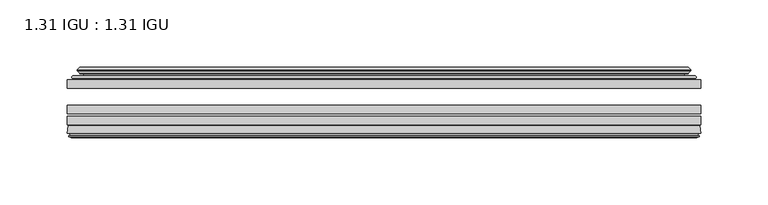
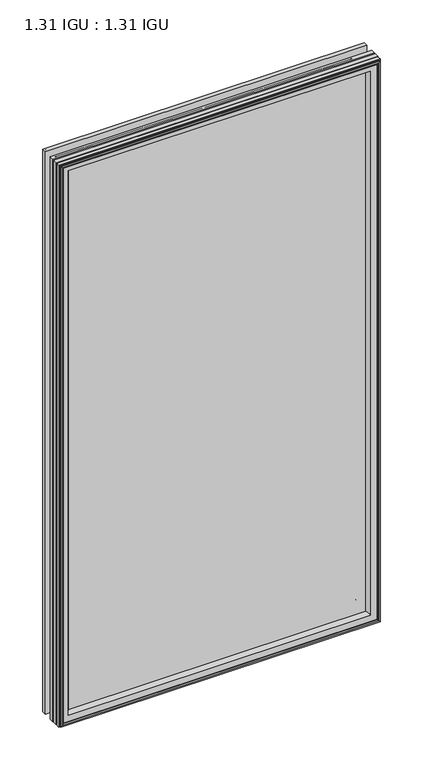
"""IFC4 building model written with IfcOpenShell, lengths in millimetres: plate geometry, 1.31 IGU : 1.31 IGU."""

from ifc_helpers import new_model, si_unit, frame, origin, place, context, project, spatial, polyline, ellipse_curve, outline, extrude, source, transform, mapped, element, save
from ifc_brep_helpers import plane_surface, cylinder_surface, revolved_surface, advanced_brep


def plate_1_31_igu_1_31_igu_c3be2506(model_context):
    return source(origin(), model_context, "Body", "SolidModel", [
        extrude(outline(polyline([(235.9255115, -51.7723437), (235.9255115, -58.1223438), (-235.9924583, -58.1223438), (-235.9924583, -51.7723437), (235.9255115, -51.7723437)])), frame((0.0, 0.0, -14.2875), z_axis=(0.0, 0.0, 1.0), x_axis=(1.0, 0.0, 0.0)), (0.0, 0.0, 1.0), 873.125),
        extrude(outline(polyline([(-235.9924583, -85.4273438), (-235.9924583, -79.0773437), (235.9255115, -79.0773437), (235.9255115, -85.4273438), (-235.9924583, -85.4273438)])), frame((0.0, 0.0, -14.2875), z_axis=(0.0, 0.0, 1.0), x_axis=(1.0, 0.0, 0.0)), (0.0, 0.0, 1.0), 873.125),
        extrude(outline(polyline([(-235.9924583, -77.1723438), (-235.9924583, -70.8223438), (235.9255115, -70.8223438), (235.9255115, -77.1723438), (-235.9924583, -77.1723438)])), frame((0.0, 0.0, -14.2875), z_axis=(0.0, 0.0, 1.0), x_axis=(1.0, 0.0, 0.0)), (0.0, 0.0, 1.0), 873.125),
        advanced_brep(
        [(-236.0051583, -91.7773437, 858.8502), (-235.3103745, -86.1187838, 858.1554162), (-235.3103745, -86.1187838, -13.6054162), (-236.0051583, -91.7773437, -14.3002), (-233.6175583, -93.768408, 856.4626), (-234.0747583, -91.7773437, 856.9198), (-234.0747583, -91.7773437, -12.3698), (-233.6175583, -93.768408, -11.9126), (-234.6189202, -93.5000939, 857.4639619), (-234.6189202, -93.5000939, -12.9139619), (-234.8621583, -94.407871, 857.7072), (-234.8621583, -94.407871, -13.1572), (-232.8301583, -94.9523437, 855.6752), (-232.8301583, -94.9523437, -11.1252), (-230.7981583, -94.407871, 853.6432), (-230.7981583, -94.407871, -9.0932), (-231.0413965, -93.5000939, 853.8864381), (-231.0413965, -93.5000939, -9.3364381), (-232.0427583, -93.768408, 854.8878), (-232.0427583, -93.768408, -10.3378), (-231.5855583, -91.7773437, 854.4306), (-231.5855583, -91.7773437, -9.8806), (-217.5159369, -85.4273437, 840.3609786), (-221.7049583, -91.7773437, 844.55), (-221.7049583, -91.7773437, 0.0), (-217.5159369, -85.4273437, 4.1890214), (-234.5288437, -85.4273437, 857.3738854), (-234.5288437, -85.4273437, -12.8238854), (235.3103745, -86.1187838, -13.6054162), (236.0051583, -91.7773437, -14.3002), (234.0747583, -91.7773437, -12.3698), (233.6175583, -93.768408, -11.9126), (234.6189202, -93.5000939, -12.9139619), (234.8621583, -94.407871, -13.1572), (232.8301583, -94.9523437, -11.1252), (230.7981583, -94.407871, -9.0932), (231.0413965, -93.5000939, -9.3364381), (232.0427583, -93.768408, -10.3378), (231.5855583, -91.7773437, -9.8806), (221.7049583, -91.7773437, 0.0), (217.5159369, -85.4273437, 4.1890214), (234.5288437, -85.4273437, -12.8238854), (235.3103745, -86.1187838, 858.1554162), (236.0051583, -91.7773437, 858.8502), (234.0747583, -91.7773437, 856.9198), (233.6175583, -93.768408, 856.4626), (234.6189202, -93.5000939, 857.4639619), (234.8621583, -94.407871, 857.7072), (232.8301583, -94.9523437, 855.6752), (230.7981583, -94.407871, 853.6432), (231.0413965, -93.5000939, 853.8864381), (232.0427583, -93.768408, 854.8878), (231.5855583, -91.7773437, 854.4306), (221.7049583, -91.7773437, 844.55), (217.5159369, -85.4273437, 840.3609786), (234.5288437, -85.4273437, 857.3738854)],
        [
            (0, 1),
            (1, 2),
            (2, 3),
            (3, 0),
            (4, 5),
            (5, 6),
            (6, 7),
            (7, 4),
            (8, 4),
            (7, 9),
            (9, 8),
            (10, 8),
            (9, 11),
            (11, 10),
            (12, 10),
            (11, 13),
            (13, 12),
            (14, 12),
            (13, 15),
            (15, 14),
            (16, 14),
            (15, 17),
            (17, 16),
            (18, 16),
            (17, 19),
            (19, 18),
            (20, 18),
            (19, 21),
            (21, 20),
            (22, 23, ellipse_curve(frame((-214.7210644, -91.8278132, 837.566106), z_axis=(0.7071067811865475, 0.0, 0.7071067811865475), x_axis=(0.7071067811865474, 0.0, -0.7071067811865476)), 9.8769754, 6.9840763)),
            (23, 24),
            (24, 25, ellipse_curve(frame((-214.7210644, -91.8278132, 6.983894), z_axis=(0.7071067811865475, 0.0, -0.7071067811865475), x_axis=(-0.7071067811865474, 0.0, -0.7071067811865476)), 9.8769754, 6.9840763)),
            (25, 22),
            (1, 26, ellipse_curve(frame((-234.5288437, -86.2147437, 857.3738854), z_axis=(-0.7071067811865475, 0.0, -0.7071067811865475), x_axis=(-0.7071067811865474, 0.0, 0.7071067811865476)), 1.1135518, 0.7874)),
            (26, 27),
            (27, 2, ellipse_curve(frame((-234.5288437, -86.2147437, -12.8238854), z_axis=(-0.7071067811865475, 0.0, 0.7071067811865475), x_axis=(0.7071067811865474, 0.0, 0.7071067811865476)), 1.1135518, 0.7874)),
            (2, 28),
            (28, 29),
            (29, 3),
            (6, 30),
            (30, 31),
            (31, 7),
            (31, 32),
            (32, 9),
            (32, 33),
            (33, 11),
            (33, 34),
            (34, 13),
            (34, 35),
            (35, 15),
            (35, 36),
            (36, 17),
            (36, 37),
            (37, 19),
            (37, 38),
            (38, 21),
            (24, 39),
            (39, 40, ellipse_curve(frame((214.7210644, -91.8278132, 6.983894), z_axis=(0.7071067811865475, 0.0, 0.7071067811865475), x_axis=(0.7071067811865476, 0.0, -0.7071067811865474)), 9.8769754, 6.9840763)),
            (40, 25),
            (27, 41),
            (41, 28, ellipse_curve(frame((234.5288437, -86.2147437, -12.8238854), z_axis=(-0.7071067811865475, 0.0, -0.7071067811865475), x_axis=(-0.7071067811865476, 0.0, 0.7071067811865474)), 1.1135518, 0.7874)),
            (28, 42),
            (42, 43),
            (43, 29),
            (30, 44),
            (44, 45),
            (45, 31),
            (45, 46),
            (46, 32),
            (46, 47),
            (47, 33),
            (47, 48),
            (48, 34),
            (48, 49),
            (49, 35),
            (49, 50),
            (50, 36),
            (50, 51),
            (51, 37),
            (51, 52),
            (52, 38),
            (39, 53),
            (53, 54, ellipse_curve(frame((214.7210644, -91.8278132, 837.566106), z_axis=(-0.7071067811865475, 0.0, 0.7071067811865475), x_axis=(0.7071067811865474, 0.0, 0.7071067811865476)), 9.8769754, 6.9840763)),
            (54, 40),
            (41, 55),
            (55, 42, ellipse_curve(frame((234.5288437, -86.2147437, 857.3738854), z_axis=(0.7071067811865475, 0.0, -0.7071067811865475), x_axis=(-0.7071067811865474, 0.0, -0.7071067811865476)), 1.1135518, 0.7874)),
            (42, 1),
            (0, 43),
            (5, 44),
            (4, 45),
            (8, 46),
            (10, 47),
            (12, 48),
            (14, 49),
            (16, 50),
            (18, 51),
            (20, 52),
            (23, 53),
            (22, 54),
            (26, 55),
        ],
        [
            plane_surface(frame((-235.3103745, -86.1187838, 858.1554162), z_axis=(-0.9925461516413241, 0.12186934340513102, 0.0), x_axis=(0.0, 0.0, -1.0))),
            plane_surface(frame((-234.0747583, -91.7773437, 856.9198), z_axis=(-0.9746347637895992, -0.22380142361654515, 0.0), x_axis=(0.0, 0.0, -1.0))),
            plane_surface(frame((-233.6175583, -93.768408, 856.4626), z_axis=(0.2588190451026678, 0.9659258262890289, 0.0), x_axis=(0.0, 0.0, -1.0))),
            plane_surface(frame((-234.6189202, -93.5000939, 857.4639619), z_axis=(-0.9659258262890449, 0.2588190451026082, 0.0), x_axis=(0.0, 0.0, -1.0))),
            plane_surface(frame((-234.8621583, -94.407871, 857.7072), z_axis=(-0.25881904510250453, -0.9659258262890728, 0.0), x_axis=(0.0, 0.0, -1.0))),
            plane_surface(frame((-232.8301583, -94.9523437, 855.6752), z_axis=(0.25881904510247905, -0.9659258262890795, 0.0), x_axis=(0.0, 0.0, -1.0))),
            plane_surface(frame((-230.7981583, -94.407871, 853.6432), z_axis=(0.9659258262890272, 0.2588190451026741, 0.0), x_axis=(0.0, 0.0, -1.0))),
            plane_surface(frame((-231.0413965, -93.5000939, 853.8864381), z_axis=(-0.2588190451023418, 0.9659258262891163, 0.0), x_axis=(0.0, 0.0, -1.0))),
            plane_surface(frame((-232.0427583, -93.768408, 854.8878), z_axis=(0.9746347637895937, -0.22380142361656946, 0.0), x_axis=(0.0, 0.0, -1.0))),
            revolved_surface(polyline([(-221.7051407, -91.8278132, -0.00018228295277822326), (-221.7051407, -91.8278132, 844.5501822829527)]), (-214.7210644, -91.8278132, 876.3), (0.0, 0.0, -1.0)),
            cylinder_surface(frame((-234.5288437, -86.2147437, 876.3), z_axis=(0.0, 0.0, 1.0), x_axis=(-1.0, 0.0, 0.0)), 0.7874),
            plane_surface(frame((-235.3103745, -86.1187838, -13.6054162), z_axis=(0.0, 0.12186934340512784, -0.9925461516413245), x_axis=(1.0, 0.0, 0.0))),
            plane_surface(frame((-234.0747583, -91.7773437, -12.3698), z_axis=(0.0, -0.22380142361654828, -0.9746347637895986), x_axis=(1.0, 0.0, 0.0))),
            plane_surface(frame((-233.6175583, -93.768408, -11.9126), z_axis=(0.0, 0.9659258262890298, 0.25881904510266474), x_axis=(1.0, 0.0, 0.0))),
            plane_surface(frame((-234.6189202, -93.5000939, -12.9139619), z_axis=(0.0, 0.2588190451026051, -0.9659258262890457), x_axis=(1.0, 0.0, 0.0))),
            plane_surface(frame((-234.8621583, -94.407871, -13.1572), z_axis=(0.0, -0.9659258262890735, -0.2588190451025014), x_axis=(1.0, 0.0, 0.0))),
            plane_surface(frame((-232.8301583, -94.9523437, -11.1252), z_axis=(0.0, -0.9659258262890787, 0.25881904510248216), x_axis=(1.0, 0.0, 0.0))),
            plane_surface(frame((-230.7981583, -94.407871, -9.0932), z_axis=(0.0, 0.2588190451026772, 0.9659258262890265), x_axis=(1.0, 0.0, 0.0))),
            plane_surface(frame((-231.0413965, -93.5000939, -9.3364381), z_axis=(0.0, 0.9659258262891155, -0.25881904510234494), x_axis=(1.0, 0.0, 0.0))),
            plane_surface(frame((-232.0427583, -93.768408, -10.3378), z_axis=(0.0, -0.22380142361656633, 0.9746347637895943), x_axis=(1.0, 0.0, 0.0))),
            revolved_surface(polyline([(221.70514068295267, -91.8278132, -0.00018229999999963553), (-221.7051406829527, -91.8278132, -0.00018229999999963553)]), (-253.4549583, -91.8278132, 6.983894), (1.0, 0.0, 0.0)),
            cylinder_surface(frame((-253.4549583, -86.2147437, -12.8238854), z_axis=(-1.0, 0.0, 0.0), x_axis=(0.0, 0.0, -1.0)), 0.7874),
            plane_surface(frame((235.3103745, -86.1187838, -13.6054162), z_axis=(0.992546151641325, 0.12186934340512466, 0.0), x_axis=(0.0, 0.0, 1.0))),
            plane_surface(frame((234.0747583, -91.7773437, -12.3698), z_axis=(0.9746347637895978, -0.2238014236165514, 0.0), x_axis=(0.0, 0.0, 1.0))),
            plane_surface(frame((233.6175583, -93.768408, -11.9126), z_axis=(-0.2588190451026616, 0.9659258262890306, 0.0), x_axis=(0.0, 0.0, 1.0))),
            plane_surface(frame((234.6189202, -93.5000939, -12.9139619), z_axis=(0.9659258262890466, 0.25881904510260206, 0.0), x_axis=(0.0, 0.0, 1.0))),
            plane_surface(frame((234.8621583, -94.407871, -13.1572), z_axis=(0.2588190451024983, -0.9659258262890743, 0.0), x_axis=(0.0, 0.0, 1.0))),
            plane_surface(frame((232.8301583, -94.9523437, -11.1252), z_axis=(-0.25881904510248527, -0.9659258262890779, 0.0), x_axis=(0.0, 0.0, 1.0))),
            plane_surface(frame((230.7981583, -94.407871, -9.0932), z_axis=(-0.9659258262890257, 0.25881904510268033, 0.0), x_axis=(0.0, 0.0, 1.0))),
            plane_surface(frame((231.0413965, -93.5000939, -9.3364381), z_axis=(0.25881904510234804, 0.9659258262891147, 0.0), x_axis=(0.0, 0.0, 1.0))),
            plane_surface(frame((232.0427583, -93.768408, -10.3378), z_axis=(-0.974634763789595, -0.2238014236165632, 0.0), x_axis=(0.0, 0.0, 1.0))),
            revolved_surface(polyline([(221.7051407, -91.8278132, 844.5501822829527), (221.7051407, -91.8278132, -0.0001822829527107217)]), (214.7210644, -91.8278132, -31.75), (0.0, 0.0, 1.0)),
            cylinder_surface(frame((234.5288437, -86.2147437, -31.75), z_axis=(0.0, 0.0, -1.0), x_axis=(1.0, 0.0, 0.0)), 0.7874),
            plane_surface(frame((235.3103745, -86.1187838, 858.1554162), z_axis=(0.0, 0.12186934340512784, 0.9925461516413245), x_axis=(-1.0, 0.0, 0.0))),
            plane_surface(frame((236.0051583, -91.7773437, 858.8502), z_axis=(0.0, -1.0, 0.0), x_axis=(-1.0, 0.0, 0.0))),
            plane_surface(frame((234.0747583, -91.7773437, 856.9198), z_axis=(0.0, -0.22380142361654826, 0.9746347637895985), x_axis=(-1.0, 0.0, 0.0))),
            plane_surface(frame((233.6175583, -93.768408, 856.4626), z_axis=(0.0, 0.9659258262890298, -0.25881904510266474), x_axis=(-1.0, 0.0, 0.0))),
            plane_surface(frame((234.6189202, -93.5000939, 857.4639619), z_axis=(0.0, 0.25881904510260517, 0.9659258262890458), x_axis=(-1.0, 0.0, 0.0))),
            plane_surface(frame((234.8621583, -94.407871, 857.7072), z_axis=(0.0, -0.9659258262890735, 0.2588190451025014), x_axis=(-1.0, 0.0, 0.0))),
            plane_surface(frame((232.8301583, -94.9523437, 855.6752), z_axis=(0.0, -0.9659258262890786, -0.25881904510248216), x_axis=(-1.0, 0.0, 0.0))),
            plane_surface(frame((230.7981583, -94.407871, 853.6432), z_axis=(0.0, 0.2588190451026772, -0.9659258262890265), x_axis=(-1.0, 0.0, 0.0))),
            plane_surface(frame((231.0413965, -93.5000939, 853.8864381), z_axis=(0.0, 0.9659258262891155, 0.25881904510234494), x_axis=(-1.0, 0.0, 0.0))),
            plane_surface(frame((232.0427583, -93.768408, 854.8878), z_axis=(0.0, -0.22380142361656633, -0.9746347637895943), x_axis=(-1.0, 0.0, 0.0))),
            plane_surface(frame((231.5855583, -91.7773437, 854.4306), z_axis=(0.0, -1.0, 0.0), x_axis=(-1.0, 0.0, 0.0))),
            revolved_surface(polyline([(-221.70514068295267, -91.8278132, 844.5501823), (221.7051406829527, -91.8278132, 844.5501823)]), (253.4549583, -91.8278132, 837.566106), (-1.0, 0.0, 0.0)),
            plane_surface(frame((217.5159369, -85.4273437, 840.3609786), z_axis=(0.0, 1.0, 0.0), x_axis=(-1.0, 0.0, 0.0))),
            cylinder_surface(frame((253.4549583, -86.2147437, 857.3738854), z_axis=(1.0, 0.0, 0.0), x_axis=(0.0, 0.0, 1.0)), 0.7874),
        ],
        [
            (0, [[1, 2, 3, 4]]),
            (1, [[5, 6, 7, 8]]),
            (2, [[9, -8, 10, 11]]),
            (3, [[12, -11, 13, 14]]),
            (4, [[15, -14, 16, 17]]),
            (5, [[18, -17, 19, 20]]),
            (6, [[21, -20, 22, 23]]),
            (7, [[24, -23, 25, 26]]),
            (8, [[27, -26, 28, 29]]),
            (9, [[30, 31, 32, 33]]),
            (10, [[34, 35, 36, -2]]),
            (11, [[-3, 37, 38, 39]]),
            (12, [[-7, 40, 41, 42]]),
            (13, [[-10, -42, 43, 44]]),
            (14, [[-13, -44, 45, 46]]),
            (15, [[-16, -46, 47, 48]]),
            (16, [[-19, -48, 49, 50]]),
            (17, [[-22, -50, 51, 52]]),
            (18, [[-25, -52, 53, 54]]),
            (19, [[-28, -54, 55, 56]]),
            (20, [[-32, 57, 58, 59]]),
            (21, [[-36, 60, 61, -37]]),
            (22, [[-38, 62, 63, 64]]),
            (23, [[-41, 65, 66, 67]]),
            (24, [[-43, -67, 68, 69]]),
            (25, [[-45, -69, 70, 71]]),
            (26, [[-47, -71, 72, 73]]),
            (27, [[-49, -73, 74, 75]]),
            (28, [[-51, -75, 76, 77]]),
            (29, [[-53, -77, 78, 79]]),
            (30, [[-55, -79, 80, 81]]),
            (31, [[-58, 82, 83, 84]]),
            (32, [[-61, 85, 86, -62]]),
            (33, [[-63, 87, -1, 88]]),
            (34, [[-39, -64, -88, -4], [89, -65, -40, -6]]),
            (35, [[-66, -89, -5, 90]]),
            (36, [[-68, -90, -9, 91]]),
            (37, [[-70, -91, -12, 92]]),
            (38, [[-72, -92, -15, 93]]),
            (39, [[-74, -93, -18, 94]]),
            (40, [[-76, -94, -21, 95]]),
            (41, [[-78, -95, -24, 96]]),
            (42, [[-80, -96, -27, 97]]),
            (43, [[-56, -81, -97, -29], [98, -82, -57, -31]]),
            (44, [[-83, -98, -30, 99]]),
            (45, [[100, -85, -60, -35], [-59, -84, -99, -33]]),
            (46, [[-86, -100, -34, -87]]),
        ],
    ),
        advanced_brep(
        [(-217.6572485, -50.6812421, 840.5022902), (-218.0990587, -51.7723437, 840.9441004), (-218.0990587, -51.7723437, 3.6058996), (-217.6572485, -50.6812421, 4.0477098), (-221.7049583, -42.9585437, 844.55), (-221.7049583, -42.9585437, 0.0), (-226.8908692, -44.1396428, 849.7359109), (-226.8908692, -44.1396428, -5.1859109), (-226.5612939, -43.3125262, 849.4063356), (-226.5612939, -43.3125262, -4.8563356), (-226.5612939, -42.4982749, 849.4063356), (-226.5612939, -42.4982749, -4.8563356), (-228.3775694, -44.4569108, 851.2226111), (-228.3775694, -44.4569108, -6.6726111), (-228.3775694, -45.1700367, 851.2226111), (-228.3775694, -45.1700367, -6.6726111), (-226.5612939, -47.1188911, 849.4063356), (-226.5612939, -47.1188911, -4.8563356), (-226.5612939, -46.3144213, 849.4063356), (-226.5612939, -46.3144213, -4.8563356), (-226.8832084, -45.5065305, 849.7282501), (-226.8832084, -45.5065305, -5.1782501), (-224.3593962, -45.3481387, 847.2044379), (-224.3593962, -45.3481387, -2.6544379), (-223.33358, -46.0358481, 846.1786217), (-223.33358, -46.0358481, -1.6286217), (-223.4519872, -47.4303169, 846.2970288), (-223.4519872, -47.4303169, -1.7470288), (-224.0537331, -48.9275437, 846.8987748), (-224.0537331, -48.9275437, -2.3487748), (-231.9795137, -50.8359667, 854.8245553), (-231.4938828, -48.9275437, 854.3389245), (-231.4938828, -48.9275437, -9.7889245), (-231.9795137, -50.8359667, -10.2745553), (-230.2587738, -51.7723437, 853.1038155), (-230.2587738, -51.7723437, -8.5538155), (218.0990587, -51.7723437, 3.6058996), (217.6572485, -50.6812421, 4.0477098), (221.7049583, -42.9585437, 0.0), (226.8908692, -44.1396428, -5.1859109), (226.5612939, -43.3125262, -4.8563356), (226.5612939, -42.4982749, -4.8563356), (228.3775694, -44.4569108, -6.6726111), (228.3775694, -45.1700367, -6.6726111), (226.5612939, -47.1188911, -4.8563356), (226.5612939, -46.3144213, -4.8563356), (226.8832084, -45.5065305, -5.1782501), (224.3593962, -45.3481387, -2.6544379), (223.33358, -46.0358481, -1.6286217), (223.4519872, -47.4303169, -1.7470288), (224.0537331, -48.9275437, -2.3487748), (231.4938828, -48.9275437, -9.7889245), (231.9795137, -50.8359667, -10.2745553), (230.2587738, -51.7723437, -8.5538155), (218.0990587, -51.7723437, 840.9441004), (217.6572485, -50.6812421, 840.5022902), (221.7049583, -42.9585437, 844.55), (226.8908692, -44.1396428, 849.7359109), (226.5612939, -43.3125262, 849.4063356), (226.5612939, -42.4982749, 849.4063356), (228.3775694, -44.4569108, 851.2226111), (228.3775694, -45.1700367, 851.2226111), (226.5612939, -47.1188911, 849.4063356), (226.5612939, -46.3144213, 849.4063356), (226.8832084, -45.5065305, 849.7282501), (224.3593962, -45.3481387, 847.2044379), (223.33358, -46.0358481, 846.1786217), (223.4519872, -47.4303169, 846.2970288), (224.0537331, -48.9275437, 846.8987748), (231.4938828, -48.9275437, 854.3389245), (231.9795137, -50.8359667, 854.8245553), (230.2587738, -51.7723437, 853.1038155)],
        [
            (0, 1, ellipse_curve(frame((-218.0990587, -51.1373437, 840.9441004), z_axis=(-0.7071067811865475, 0.0, -0.7071067811865475), x_axis=(-0.7071067811865474, 0.0, 0.7071067811865476)), 0.8980256, 0.635)),
            (1, 2),
            (2, 3, ellipse_curve(frame((-218.0990587, -51.1373437, 3.6058996), z_axis=(-0.7071067811865475, 0.0, 0.7071067811865475), x_axis=(0.7071067811865474, 0.0, 0.7071067811865476)), 0.8980256, 0.635)),
            (3, 0),
            (4, 0, ellipse_curve(frame((-207.9721637, -40.6828682, 830.8172054), z_axis=(0.7071067811865475, 0.0, 0.7071067811865475), x_axis=(0.7071067811865474, 0.0, -0.7071067811865476)), 19.6859517, 13.9200699)),
            (3, 5, ellipse_curve(frame((-207.9721637, -40.6828682, 13.7327946), z_axis=(0.7071067811865475, 0.0, -0.7071067811865475), x_axis=(-0.7071067811865474, 0.0, -0.7071067811865476)), 19.6859517, 13.9200699)),
            (5, 4),
            (6, 4),
            (5, 7),
            (7, 6),
            (8, 6),
            (7, 9),
            (9, 8),
            (10, 8),
            (9, 11),
            (11, 10),
            (12, 10),
            (11, 13),
            (13, 12),
            (14, 12, ellipse_curve(frame((-228.0157312, -44.8134737, 850.8607729), z_axis=(-0.7071067811865475, 0.0, -0.7071067811865475), x_axis=(-0.7071067811865474, 0.0, 0.7071067811865476)), 0.7184205, 0.508)),
            (13, 15, ellipse_curve(frame((-228.0157312, -44.8134737, -6.3107729), z_axis=(-0.7071067811865475, 0.0, 0.7071067811865475), x_axis=(0.7071067811865474, 0.0, 0.7071067811865476)), 0.7184205, 0.508)),
            (15, 14),
            (16, 14),
            (15, 17),
            (17, 16),
            (18, 16),
            (17, 19),
            (19, 18),
            (20, 18),
            (19, 21),
            (21, 20),
            (22, 20),
            (21, 23),
            (23, 22),
            (24, 22, ellipse_curve(frame((-224.2957583, -46.3621437, 847.1408), z_axis=(0.7071067811865475, 0.0, 0.7071067811865475), x_axis=(0.7071067811865474, 0.0, -0.7071067811865476)), 1.436841, 1.016)),
            (23, 25, ellipse_curve(frame((-224.2957583, -46.3621437, -2.5908), z_axis=(0.7071067811865475, 0.0, -0.7071067811865475), x_axis=(-0.7071067811865474, 0.0, -0.7071067811865476)), 1.436841, 1.016)),
            (25, 24),
            (26, 24, ellipse_curve(frame((-225.6673583, -46.5399437, 848.5124), z_axis=(0.7071067811865475, 0.0, 0.7071067811865475), x_axis=(0.7071067811865474, 0.0, -0.7071067811865476)), 3.3765763, 2.3876)),
            (25, 27, ellipse_curve(frame((-225.6673583, -46.5399437, -3.9624), z_axis=(0.7071067811865475, 0.0, -0.7071067811865475), x_axis=(-0.7071067811865474, 0.0, -0.7071067811865476)), 3.3765763, 2.3876)),
            (27, 26),
            (28, 26),
            (27, 29),
            (29, 28),
            (30, 31, ellipse_curve(frame((-231.4938828, -49.9435437, 854.3389245), z_axis=(-0.7071067811865475, 0.0, -0.7071067811865475), x_axis=(-0.7071067811865474, 0.0, 0.7071067811865476)), 1.436841, 1.016)),
            (31, 32),
            (32, 33, ellipse_curve(frame((-231.4938828, -49.9435437, -9.7889245), z_axis=(-0.7071067811865475, 0.0, 0.7071067811865475), x_axis=(0.7071067811865474, 0.0, 0.7071067811865476)), 1.436841, 1.016)),
            (33, 30),
            (34, 30),
            (33, 35),
            (35, 34),
            (2, 36),
            (36, 37, ellipse_curve(frame((218.0990587, -51.1373437, 3.6058996), z_axis=(-0.7071067811865475, 0.0, -0.7071067811865475), x_axis=(-0.7071067811865476, 0.0, 0.7071067811865474)), 0.8980256, 0.635)),
            (37, 3),
            (37, 38, ellipse_curve(frame((207.9721637, -40.6828682, 13.7327946), z_axis=(0.7071067811865475, 0.0, 0.7071067811865475), x_axis=(0.7071067811865476, 0.0, -0.7071067811865474)), 19.6859517, 13.9200699)),
            (38, 5),
            (38, 39),
            (39, 7),
            (39, 40),
            (40, 9),
            (40, 41),
            (41, 11),
            (41, 42),
            (42, 13),
            (42, 43, ellipse_curve(frame((228.0157312, -44.8134737, -6.3107729), z_axis=(-0.7071067811865475, 0.0, -0.7071067811865475), x_axis=(-0.7071067811865476, 0.0, 0.7071067811865474)), 0.7184205, 0.508)),
            (43, 15),
            (43, 44),
            (44, 17),
            (44, 45),
            (45, 19),
            (45, 46),
            (46, 21),
            (46, 47),
            (47, 23),
            (47, 48, ellipse_curve(frame((224.2957583, -46.3621437, -2.5908), z_axis=(0.7071067811865475, 0.0, 0.7071067811865475), x_axis=(0.7071067811865476, 0.0, -0.7071067811865474)), 1.436841, 1.016)),
            (48, 25),
            (48, 49, ellipse_curve(frame((225.6673583, -46.5399437, -3.9624), z_axis=(0.7071067811865475, 0.0, 0.7071067811865475), x_axis=(0.7071067811865476, 0.0, -0.7071067811865474)), 3.3765763, 2.3876)),
            (49, 27),
            (49, 50),
            (50, 29),
            (32, 51),
            (51, 52, ellipse_curve(frame((231.4938828, -49.9435437, -9.7889245), z_axis=(-0.7071067811865475, 0.0, -0.7071067811865475), x_axis=(-0.7071067811865476, 0.0, 0.7071067811865474)), 1.436841, 1.016)),
            (52, 33),
            (52, 53),
            (53, 35),
            (36, 54),
            (54, 55, ellipse_curve(frame((218.0990587, -51.1373437, 840.9441004), z_axis=(0.7071067811865475, 0.0, -0.7071067811865475), x_axis=(-0.7071067811865474, 0.0, -0.7071067811865476)), 0.8980256, 0.635)),
            (55, 37),
            (55, 56, ellipse_curve(frame((207.9721637, -40.6828682, 830.8172054), z_axis=(-0.7071067811865475, 0.0, 0.7071067811865475), x_axis=(0.7071067811865474, 0.0, 0.7071067811865476)), 19.6859517, 13.9200699)),
            (56, 38),
            (56, 57),
            (57, 39),
            (57, 58),
            (58, 40),
            (58, 59),
            (59, 41),
            (59, 60),
            (60, 42),
            (60, 61, ellipse_curve(frame((228.0157312, -44.8134737, 850.8607729), z_axis=(0.7071067811865475, 0.0, -0.7071067811865475), x_axis=(-0.7071067811865474, 0.0, -0.7071067811865476)), 0.7184205, 0.508)),
            (61, 43),
            (61, 62),
            (62, 44),
            (62, 63),
            (63, 45),
            (63, 64),
            (64, 46),
            (64, 65),
            (65, 47),
            (65, 66, ellipse_curve(frame((224.2957583, -46.3621437, 847.1408), z_axis=(-0.7071067811865475, 0.0, 0.7071067811865475), x_axis=(0.7071067811865474, 0.0, 0.7071067811865476)), 1.436841, 1.016)),
            (66, 48),
            (66, 67, ellipse_curve(frame((225.6673583, -46.5399437, 848.5124), z_axis=(-0.7071067811865475, 0.0, 0.7071067811865475), x_axis=(0.7071067811865474, 0.0, 0.7071067811865476)), 3.3765763, 2.3876)),
            (67, 49),
            (67, 68),
            (68, 50),
            (51, 69),
            (69, 70, ellipse_curve(frame((231.4938828, -49.9435437, 854.3389245), z_axis=(0.7071067811865475, 0.0, -0.7071067811865475), x_axis=(-0.7071067811865474, 0.0, -0.7071067811865476)), 1.436841, 1.016)),
            (70, 52),
            (70, 71),
            (71, 53),
            (54, 1),
            (0, 55),
            (4, 56),
            (6, 57),
            (8, 58),
            (10, 59),
            (12, 60),
            (14, 61),
            (16, 62),
            (18, 63),
            (20, 64),
            (22, 65),
            (24, 66),
            (26, 67),
            (28, 68),
            (31, 69),
            (30, 70),
            (34, 71),
        ],
        [
            cylinder_surface(frame((-218.0990587, -51.1373437, 876.3), z_axis=(0.0, 0.0, 1.0), x_axis=(-1.0, 0.0, 0.0)), 0.635),
            revolved_surface(polyline([(-221.8922336, -40.6828682, -0.18727534118079348), (-221.8922336, -40.6828682, 844.7372753411809)]), (-207.9721637, -40.6828682, 876.3), (0.0, 0.0, -1.0)),
            plane_surface(frame((-221.7049583, -42.9585437, 844.55), z_axis=(-0.22206498442778808, 0.9750318675259215, 0.0), x_axis=(0.0, 0.0, -1.0))),
            plane_surface(frame((-226.8908692, -44.1396428, 849.7359109), z_axis=(0.9289682685629942, -0.3701593656833133, 0.0), x_axis=(0.0, 0.0, -1.0))),
            plane_surface(frame((-226.5612939, -43.3125262, 849.4063356), z_axis=(1.0, 0.0, 0.0), x_axis=(0.0, 0.0, -1.0))),
            plane_surface(frame((-226.5612939, -42.4982749, 849.4063356), z_axis=(-0.7332521292723948, 0.6799568478348454, 0.0), x_axis=(0.0, 0.0, -1.0))),
            cylinder_surface(frame((-228.0157312, -44.8134737, 876.3), z_axis=(0.0, 0.0, 1.0), x_axis=(-1.0, 0.0, 0.0)), 0.508),
            plane_surface(frame((-228.3775694, -45.1700367, 851.2226111), z_axis=(-0.7315522693036389, -0.6817853601220082, 0.0), x_axis=(0.0, 0.0, -1.0))),
            plane_surface(frame((-226.5612939, -47.1188911, 849.4063356), z_axis=(1.0, 0.0, 0.0), x_axis=(0.0, 0.0, -1.0))),
            plane_surface(frame((-226.5612939, -46.3144213, 849.4063356), z_axis=(0.9289682685631103, 0.37015936568302166, 0.0), x_axis=(0.0, 0.0, -1.0))),
            plane_surface(frame((-226.8832084, -45.5065305, 849.7282501), z_axis=(0.06263570119321649, -0.9980364567169048, 0.0), x_axis=(0.0, 0.0, -1.0))),
            revolved_surface(polyline([(-225.31175829999998, -46.3621437, -3.606800014586838), (-225.31175829999998, -46.3621437, 848.1568000145869)]), (-224.2957583, -46.3621437, 876.3), (0.0, 0.0, -1.0)),
            revolved_surface(polyline([(-228.05495829999998, -46.5399437, -6.3499999989237494), (-228.05495829999998, -46.5399437, 850.8999999989237)]), (-225.6673583, -46.5399437, 876.3), (0.0, 0.0, -1.0)),
            plane_surface(frame((-223.4519872, -47.4303169, 846.2970288), z_axis=(-0.927865292542892, 0.3729155385530262, 0.0), x_axis=(0.0, 0.0, -1.0))),
            cylinder_surface(frame((-231.4938828, -49.9435437, 876.3), z_axis=(0.0, 0.0, 1.0), x_axis=(-1.0, 0.0, 0.0)), 1.016),
            plane_surface(frame((-231.9795137, -50.8359667, 854.8245553), z_axis=(-0.477983117370979, -0.8783690223979447, 0.0), x_axis=(0.0, 0.0, -1.0))),
            cylinder_surface(frame((-253.4549583, -51.1373437, 3.6058996), z_axis=(-1.0, 0.0, 0.0), x_axis=(0.0, 0.0, -1.0)), 0.635),
            revolved_surface(polyline([(221.89223364118084, -40.6828682, -0.1872752999999996), (-221.89223364118084, -40.6828682, -0.1872752999999996)]), (-253.4549583, -40.6828682, 13.7327946), (1.0, 0.0, 0.0)),
            plane_surface(frame((-221.7049583, -42.9585437, 0.0), z_axis=(0.0, 0.9750318675259209, -0.2220649844277912), x_axis=(1.0, 0.0, 0.0))),
            plane_surface(frame((-226.8908692, -44.1396428, -5.1859109), z_axis=(0.0, -0.3701593656833103, 0.9289682685629954), x_axis=(1.0, 0.0, 0.0))),
            plane_surface(frame((-226.5612939, -43.3125262, -4.8563356), z_axis=(0.0, 0.0, 1.0), x_axis=(1.0, 0.0, 0.0))),
            plane_surface(frame((-226.5612939, -42.4982749, -4.8563356), z_axis=(0.0, 0.6799568478348431, -0.733252129272397), x_axis=(1.0, 0.0, 0.0))),
            cylinder_surface(frame((-253.4549583, -44.8134737, -6.3107729), z_axis=(-1.0, 0.0, 0.0), x_axis=(0.0, 0.0, -1.0)), 0.508),
            plane_surface(frame((-228.3775694, -45.1700367, -6.6726111), z_axis=(0.0, -0.6817853601220105, -0.7315522693036367), x_axis=(1.0, 0.0, 0.0))),
            plane_surface(frame((-226.5612939, -47.1188911, -4.8563356), z_axis=(0.0, 0.0, 1.0), x_axis=(1.0, 0.0, 0.0))),
            plane_surface(frame((-226.5612939, -46.3144213, -4.8563356), z_axis=(0.0, 0.37015936568302465, 0.9289682685631091), x_axis=(1.0, 0.0, 0.0))),
            plane_surface(frame((-226.8832084, -45.5065305, -5.1782501), z_axis=(0.0, -0.9980364567169046, 0.06263570119321968), x_axis=(1.0, 0.0, 0.0))),
            revolved_surface(polyline([(225.31175831458683, -46.3621437, -3.6068000000000002), (-225.31175831458685, -46.3621437, -3.6068000000000002)]), (-253.4549583, -46.3621437, -2.5908), (1.0, 0.0, 0.0)),
            revolved_surface(polyline([(228.0549582989238, -46.5399437, -6.35), (-228.05495829892376, -46.5399437, -6.35)]), (-253.4549583, -46.5399437, -3.9624), (1.0, 0.0, 0.0)),
            plane_surface(frame((-223.4519872, -47.4303169, -1.7470288), z_axis=(0.0, 0.37291553855302323, -0.9278652925428932), x_axis=(1.0, 0.0, 0.0))),
            cylinder_surface(frame((-253.4549583, -49.9435437, -9.7889245), z_axis=(-1.0, 0.0, 0.0), x_axis=(0.0, 0.0, -1.0)), 1.016),
            plane_surface(frame((-231.9795137, -50.8359667, -10.2745553), z_axis=(0.0, -0.8783690223979462, -0.47798311737097615), x_axis=(1.0, 0.0, 0.0))),
            cylinder_surface(frame((218.0990587, -51.1373437, -31.75), z_axis=(0.0, 0.0, -1.0), x_axis=(1.0, 0.0, 0.0)), 0.635),
            revolved_surface(polyline([(221.8922336, -40.6828682, 844.7372753411809), (221.8922336, -40.6828682, -0.1872753411808432)]), (207.9721637, -40.6828682, -31.75), (0.0, 0.0, 1.0)),
            plane_surface(frame((221.7049583, -42.9585437, 0.0), z_axis=(0.22206498442779435, 0.9750318675259202, 0.0), x_axis=(0.0, 0.0, 1.0))),
            plane_surface(frame((226.8908692, -44.1396428, -5.1859109), z_axis=(-0.9289682685629966, -0.3701593656833073, 0.0), x_axis=(0.0, 0.0, 1.0))),
            plane_surface(frame((226.5612939, -43.3125262, -4.8563356), z_axis=(-1.0, 0.0, 0.0), x_axis=(0.0, 0.0, 1.0))),
            plane_surface(frame((226.5612939, -42.4982749, -4.8563356), z_axis=(0.7332521292723992, 0.6799568478348408, 0.0), x_axis=(0.0, 0.0, 1.0))),
            cylinder_surface(frame((228.0157312, -44.8134737, -31.75), z_axis=(0.0, 0.0, -1.0), x_axis=(1.0, 0.0, 0.0)), 0.508),
            plane_surface(frame((228.3775694, -45.1700367, -6.6726111), z_axis=(0.7315522693036345, -0.6817853601220129, 0.0), x_axis=(0.0, 0.0, 1.0))),
            plane_surface(frame((226.5612939, -47.1188911, -4.8563356), z_axis=(-1.0, 0.0, 0.0), x_axis=(0.0, 0.0, 1.0))),
            plane_surface(frame((226.5612939, -46.3144213, -4.8563356), z_axis=(-0.928968268563108, 0.3701593656830277, 0.0), x_axis=(0.0, 0.0, 1.0))),
            plane_surface(frame((226.8832084, -45.5065305, -5.1782501), z_axis=(-0.06263570119322287, -0.9980364567169043, 0.0), x_axis=(0.0, 0.0, 1.0))),
            revolved_surface(polyline([(225.31175829999998, -46.3621437, 848.1568000145869), (225.31175829999998, -46.3621437, -3.606800014586863)]), (224.2957583, -46.3621437, -31.75), (0.0, 0.0, 1.0)),
            revolved_surface(polyline([(228.05495829999998, -46.5399437, 850.8999999989237), (228.05495829999998, -46.5399437, -6.349999998923781)]), (225.6673583, -46.5399437, -31.75), (0.0, 0.0, 1.0)),
            plane_surface(frame((223.4519872, -47.4303169, -1.7470288), z_axis=(0.9278652925428944, 0.37291553855302023, 0.0), x_axis=(0.0, 0.0, 1.0))),
            cylinder_surface(frame((231.4938828, -49.9435437, -31.75), z_axis=(0.0, 0.0, -1.0), x_axis=(1.0, 0.0, 0.0)), 1.016),
            plane_surface(frame((231.9795137, -50.8359667, -10.2745553), z_axis=(0.4779831173709733, -0.8783690223979478, 0.0), x_axis=(0.0, 0.0, 1.0))),
            cylinder_surface(frame((253.4549583, -51.1373437, 840.9441004), z_axis=(1.0, 0.0, 0.0), x_axis=(0.0, 0.0, 1.0)), 0.635),
            revolved_surface(polyline([(-221.89223364118084, -40.6828682, 844.7372753000001), (221.89223364118084, -40.6828682, 844.7372753000001)]), (253.4549583, -40.6828682, 830.8172054), (-1.0, 0.0, 0.0)),
            plane_surface(frame((221.7049583, -42.9585437, 844.55), z_axis=(0.0, 0.9750318675259209, 0.2220649844277912), x_axis=(-1.0, 0.0, 0.0))),
            plane_surface(frame((226.8908692, -44.1396428, 849.7359109), z_axis=(0.0, -0.3701593656833103, -0.9289682685629954), x_axis=(-1.0, 0.0, 0.0))),
            plane_surface(frame((226.5612939, -43.3125262, 849.4063356), z_axis=(0.0, 0.0, -1.0), x_axis=(-1.0, 0.0, 0.0))),
            plane_surface(frame((226.5612939, -42.4982749, 849.4063356), z_axis=(0.0, 0.6799568478348431, 0.733252129272397), x_axis=(-1.0, 0.0, 0.0))),
            cylinder_surface(frame((253.4549583, -44.8134737, 850.8607729), z_axis=(1.0, 0.0, 0.0), x_axis=(0.0, 0.0, 1.0)), 0.508),
            plane_surface(frame((228.3775694, -45.1700367, 851.2226111), z_axis=(0.0, -0.6817853601220105, 0.7315522693036367), x_axis=(-1.0, 0.0, 0.0))),
            plane_surface(frame((226.5612939, -47.1188911, 849.4063356), z_axis=(0.0, 0.0, -1.0), x_axis=(-1.0, 0.0, 0.0))),
            plane_surface(frame((226.5612939, -46.3144213, 849.4063356), z_axis=(0.0, 0.3701593656830247, -0.9289682685631092), x_axis=(-1.0, 0.0, 0.0))),
            plane_surface(frame((226.8832084, -45.5065305, 849.7282501), z_axis=(0.0, -0.9980364567169046, -0.06263570119321968), x_axis=(-1.0, 0.0, 0.0))),
            revolved_surface(polyline([(-225.31175831458683, -46.3621437, 848.1568), (225.31175831458685, -46.3621437, 848.1568)]), (253.4549583, -46.3621437, 847.1408), (-1.0, 0.0, 0.0)),
            revolved_surface(polyline([(-228.0549582989238, -46.5399437, 850.9), (228.05495829892376, -46.5399437, 850.9)]), (253.4549583, -46.5399437, 848.5124), (-1.0, 0.0, 0.0)),
            plane_surface(frame((223.4519872, -47.4303169, 846.2970288), z_axis=(0.0, 0.37291553855302323, 0.9278652925428932), x_axis=(-1.0, 0.0, 0.0))),
            plane_surface(frame((224.0537331, -48.9275437, 846.8987748), z_axis=(0.0, 1.0, 0.0), x_axis=(-1.0, 0.0, 0.0))),
            cylinder_surface(frame((253.4549583, -49.9435437, 854.3389245), z_axis=(1.0, 0.0, 0.0), x_axis=(0.0, 0.0, 1.0)), 1.016),
            plane_surface(frame((231.9795137, -50.8359667, 854.8245553), z_axis=(0.0, -0.8783690223979462, 0.47798311737097615), x_axis=(-1.0, 0.0, 0.0))),
            plane_surface(frame((230.2587738, -51.7723437, 853.1038155), z_axis=(0.0, -1.0, 0.0), x_axis=(-1.0, 0.0, 0.0))),
        ],
        [
            (0, [[1, 2, 3, 4]]),
            (1, [[5, -4, 6, 7]]),
            (2, [[8, -7, 9, 10]]),
            (3, [[11, -10, 12, 13]]),
            (4, [[14, -13, 15, 16]]),
            (5, [[17, -16, 18, 19]]),
            (6, [[20, -19, 21, 22]]),
            (7, [[23, -22, 24, 25]]),
            (8, [[26, -25, 27, 28]]),
            (9, [[29, -28, 30, 31]]),
            (10, [[32, -31, 33, 34]]),
            (11, [[35, -34, 36, 37]]),
            (12, [[38, -37, 39, 40]]),
            (13, [[41, -40, 42, 43]]),
            (14, [[44, 45, 46, 47]]),
            (15, [[48, -47, 49, 50]]),
            (16, [[-3, 51, 52, 53]]),
            (17, [[-6, -53, 54, 55]]),
            (18, [[-9, -55, 56, 57]]),
            (19, [[-12, -57, 58, 59]]),
            (20, [[-15, -59, 60, 61]]),
            (21, [[-18, -61, 62, 63]]),
            (22, [[-21, -63, 64, 65]]),
            (23, [[-24, -65, 66, 67]]),
            (24, [[-27, -67, 68, 69]]),
            (25, [[-30, -69, 70, 71]]),
            (26, [[-33, -71, 72, 73]]),
            (27, [[-36, -73, 74, 75]]),
            (28, [[-39, -75, 76, 77]]),
            (29, [[-42, -77, 78, 79]]),
            (30, [[-46, 80, 81, 82]]),
            (31, [[-49, -82, 83, 84]]),
            (32, [[-52, 85, 86, 87]]),
            (33, [[-54, -87, 88, 89]]),
            (34, [[-56, -89, 90, 91]]),
            (35, [[-58, -91, 92, 93]]),
            (36, [[-60, -93, 94, 95]]),
            (37, [[-62, -95, 96, 97]]),
            (38, [[-64, -97, 98, 99]]),
            (39, [[-66, -99, 100, 101]]),
            (40, [[-68, -101, 102, 103]]),
            (41, [[-70, -103, 104, 105]]),
            (42, [[-72, -105, 106, 107]]),
            (43, [[-74, -107, 108, 109]]),
            (44, [[-76, -109, 110, 111]]),
            (45, [[-78, -111, 112, 113]]),
            (46, [[-81, 114, 115, 116]]),
            (47, [[-83, -116, 117, 118]]),
            (48, [[-86, 119, -1, 120]]),
            (49, [[-88, -120, -5, 121]]),
            (50, [[-90, -121, -8, 122]]),
            (51, [[-92, -122, -11, 123]]),
            (52, [[-94, -123, -14, 124]]),
            (53, [[-96, -124, -17, 125]]),
            (54, [[-98, -125, -20, 126]]),
            (55, [[-100, -126, -23, 127]]),
            (56, [[-102, -127, -26, 128]]),
            (57, [[-104, -128, -29, 129]]),
            (58, [[-106, -129, -32, 130]]),
            (59, [[-108, -130, -35, 131]]),
            (60, [[-110, -131, -38, 132]]),
            (61, [[-112, -132, -41, 133]]),
            (62, [[134, -114, -80, -45], [-79, -113, -133, -43]]),
            (63, [[-115, -134, -44, 135]]),
            (64, [[-117, -135, -48, 136]]),
            (65, [[-84, -118, -136, -50], [-119, -85, -51, -2]]),
        ],
    ),
    ])


if __name__ == "__main__":
    model = new_model("IFC4")
    model_context = context("Model", 3, world=origin())
    ifc_project = project(units=[si_unit("LENGTHUNIT", "METRE", prefix="MILLI")], contexts=[model_context])
    site = spatial("IfcSite", under=ifc_project)
    building = spatial("IfcBuilding", under=site)
    placement = place(None, origin())
    plate_1_31_igu_1_31_igu_shape = plate_1_31_igu_1_31_igu_c3be2506(model_context)
    element("IfcPlate", 1, ObjectType="1.31 IGU : 1.31 IGU", at=placement, inside=building, context=model_context, shape_type="MappedRepresentation", body=[
        mapped(plate_1_31_igu_1_31_igu_shape, transform((0.0, 0.0, 0.0), x_axis=(1.0, 0.0, 0.0), y_axis=(0.0, 1.0, 0.0), z_axis=(0.0, 0.0, 1.0))),
    ])
    save(model, "model.ifc")
